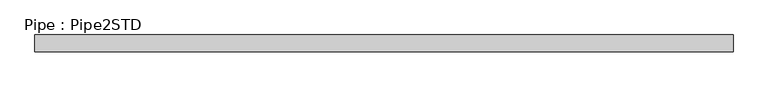
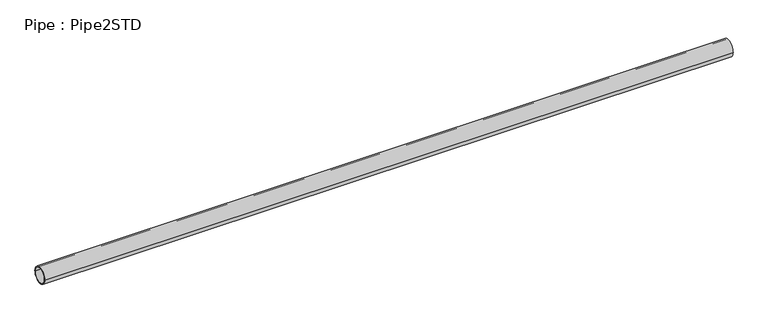
"""IFC4 building model written with IfcOpenShell, lengths in millimetres: member geometry, Pipe : Pipe2STD."""

import ifcopenshell
import ifcopenshell.guid

model = None  # the IFC model being written
_history = None  # IfcOwnerHistory: only IFC2X3 demands one
_inside = {}  # id of a spatial element -> (the spatial element, [elements in it])
_under = {}  # id of a project, library or spatial element -> (it, [spatial elements below it])
_declared = {}  # id of a project -> (the project, [libraries it declares])
_typed = {}  # id of a type object -> (the type object, [elements of that type])
_made_of = {}  # id of a material, layer set ... -> (it, [elements and type objects made of it])


def new_model(schema):
    """Start an empty IFC model of exactly this schema.

    Asked for "IFC4X3", IfcOpenShell would pick the latest addendum, in which some entities
    have other attributes; the version numbers below select the first issue.
    IFC2X3 requires an IfcOwnerHistory on every rooted entity: one is made here for all.
    """
    global model, _history
    if schema == "IFC4X3":
        model = ifcopenshell.file(schema_version=(4, 3, 0, 0))
    else:
        model = ifcopenshell.file(schema=schema)
    _inside.clear()
    _under.clear()
    _declared.clear()
    _typed.clear()
    _made_of.clear()
    _history = None
    if model.schema == "IFC2X3":
        org = make("IfcOrganization", Name="unknown")
        user = make(
            "IfcPersonAndOrganization",
            ThePerson=make("IfcPerson", FamilyName="unknown"),
            TheOrganization=org,
        )
        app = make(
            "IfcApplication",
            ApplicationDeveloper=org,
            Version="unknown",
            ApplicationFullName="unknown",
            ApplicationIdentifier="unknown",
        )
        _history = make(
            "IfcOwnerHistory",
            OwningUser=user,
            OwningApplication=app,
            ChangeAction="ADDED",
            CreationDate=0,
        )
    return model


def make(cls, **values):
    """One entity of the class cls with the attributes given. An attribute that is None is left unset."""
    return model.create_entity(
        cls, **{name: value for name, value in values.items() if value is not None}
    )


def rooted(cls, **values):
    """An entity with a GlobalId (a new one), such as an element, a storey or a relation."""
    return make(cls, GlobalId=ifcopenshell.guid.new(), OwnerHistory=_history, **values)


def si_unit(unit_type, name, prefix=None):
    """IfcSIUnit, for example si_unit("LENGTHUNIT", "METRE", prefix="MILLI")."""
    return make("IfcSIUnit", UnitType=unit_type, Prefix=prefix, Name=name)


def assignment(units):
    """IfcUnitAssignment: the units of a project."""
    return None if units is None else make("IfcUnitAssignment", Units=units)


def point(xyz):
    """IfcCartesianPoint."""
    return None if xyz is None else make("IfcCartesianPoint", Coordinates=xyz)


def direction(xyz):
    """IfcDirection."""
    return None if xyz is None else make("IfcDirection", DirectionRatios=xyz)


def frame(location, z_axis=None, x_axis=None):
    """IfcAxis2Placement3D, a coordinate frame: its origin and axes. An axis left out is left unset."""
    return make(
        "IfcAxis2Placement3D",
        Location=point(location),
        Axis=direction(z_axis),
        RefDirection=direction(x_axis),
    )


def frame_2d(location, x_axis=None):
    """IfcAxis2Placement2D, a coordinate frame in the plane: its origin and x axis."""
    return make(
        "IfcAxis2Placement2D", Location=point(location), RefDirection=direction(x_axis)
    )


def origin():
    """The frame at (0, 0, 0) with its axes left unset."""
    return frame((0.0, 0.0, 0.0))


def origin_2d():
    """The frame at (0, 0) in the plane with its x axis left unset."""
    return frame_2d((0.0, 0.0))


def place(relative_to, where):
    """IfcLocalPlacement: puts the frame where relative to a parent placement (None: the world)."""
    return make(
        "IfcLocalPlacement", PlacementRelTo=relative_to, RelativePlacement=where
    )


def context(
    kind, dimensions, precision=None, world=None, true_north=None, identifier=None
):
    """IfcGeometricRepresentationContext, for example the 3D "Model" context."""
    return make(
        "IfcGeometricRepresentationContext",
        ContextIdentifier=identifier,
        ContextType=kind,
        CoordinateSpaceDimension=dimensions,
        Precision=precision,
        WorldCoordinateSystem=world,
        TrueNorth=true_north,
    )


def project(units=None, contexts=None):
    """IfcProject with its units and contexts."""
    return rooted(
        "IfcProject",
        Name="project",
        RepresentationContexts=contexts,
        UnitsInContext=assignment(units),
    )


def spatial(cls, under=None, at=None, **own):
    """A site, building, storey or space (cls), placed at a placement, below another one or the project."""
    s = rooted(cls, ObjectPlacement=at, **own)
    if under is not None:
        _under.setdefault(under.id(), (under, []))[1].append(s)
    return s


def circle_curve(where, radius):
    """IfcCircle in the frame where."""
    return make("IfcCircle", Position=where, Radius=radius)


def trimmed(basis, trim1, trim2, sense, master):
    """IfcTrimmedCurve: the piece of a basis curve between two trims."""
    return make(
        "IfcTrimmedCurve",
        BasisCurve=basis,
        Trim1=trim1,
        Trim2=trim2,
        SenseAgreement=sense,
        MasterRepresentation=master,
    )


def segment(curve, same_sense, transition):
    """IfcCompositeCurveSegment."""
    return make(
        "IfcCompositeCurveSegment",
        Transition=transition,
        SameSense=same_sense,
        ParentCurve=curve,
    )


def composite_curve(segments, self_intersect=None):
    """IfcCompositeCurve: segments joined end to end."""
    return make("IfcCompositeCurve", Segments=segments, SelfIntersect=self_intersect)


def outline(outer, holes=None, kind="AREA"):
    """IfcArbitraryClosedProfileDef: a profile drawn as a closed curve; with holes, ...WithVoids."""
    if holes is None:
        return make("IfcArbitraryClosedProfileDef", ProfileType=kind, OuterCurve=outer)
    return make(
        "IfcArbitraryProfileDefWithVoids",
        ProfileType=kind,
        OuterCurve=outer,
        InnerCurves=holes,
    )


def extrude(swept, where, along, depth):
    """IfcExtrudedAreaSolid: the profile swept, set in the frame where, extruded along a direction by depth."""
    return make(
        "IfcExtrudedAreaSolid",
        SweptArea=swept,
        Position=where,
        ExtrudedDirection=direction(along),
        Depth=depth,
    )


def shape(context_of_items, identifier, shape_type, items):
    """IfcShapeRepresentation: the items that make up one representation, for example the "Body"."""
    return make(
        "IfcShapeRepresentation",
        ContextOfItems=context_of_items,
        RepresentationIdentifier=identifier,
        RepresentationType=shape_type,
        Items=items,
    )


def source(mapping_origin, context_of_items, identifier, shape_type, items):
    """IfcRepresentationMap: a shape defined once, which mapped items show again and again."""
    return make(
        "IfcRepresentationMap",
        MappingOrigin=mapping_origin,
        MappedRepresentation=shape(context_of_items, identifier, shape_type, items),
    )


def transform(
    local_origin,
    x_axis=None,
    y_axis=None,
    z_axis=None,
    scale=None,
    scale2=None,
    scale3=None,
    uniform=True,
):
    """IfcCartesianTransformationOperator3D, or its non-uniform kind. x_axis, y_axis, z_axis: its Axis1, 2, 3."""
    if uniform:
        return make(
            "IfcCartesianTransformationOperator3D",
            Axis1=direction(x_axis),
            Axis2=direction(y_axis),
            LocalOrigin=point(local_origin),
            Scale=scale,
            Axis3=direction(z_axis),
        )
    return make(
        "IfcCartesianTransformationOperator3DnonUniform",
        Axis1=direction(x_axis),
        Axis2=direction(y_axis),
        LocalOrigin=point(local_origin),
        Scale=scale,
        Axis3=direction(z_axis),
        Scale2=scale2,
        Scale3=scale3,
    )


def mapped(mapping_source, mapping_target):
    """IfcMappedItem: shows the shape of a source again, moved by a transform."""
    return make(
        "IfcMappedItem", MappingSource=mapping_source, MappingTarget=mapping_target
    )


def made_of(thing, what):
    """Note that an element or type object is made of a material, layer set ...; save() writes the relation."""
    if what is not None:
        _made_of.setdefault(what.id(), (what, []))[1].append(thing)
    return thing


def element(
    cls,
    number,
    at=None,
    inside=None,
    cuts=None,
    type_object=None,
    material=None,
    context=None,
    identifier="Body",
    shape_type=None,
    held_by="IfcProductDefinitionShape",
    body=None,
    shapes=None,
    **own,
):
    """One element of the class cls, such as IfcWall. Its Tag is "e" and its number.

    at: its placement. inside: the storey or other place that contains it. cuts: it is an
    opening in that element (IfcRelVoidsElement). A single representation is given by context,
    identifier, shape_type and body (its items); several are given by shapes. held_by: the class
    of the entity that holds the representations. save() writes the other relations.
    """
    e = rooted(cls, Tag="e%d" % number, ObjectPlacement=at, **own)
    if body is not None:
        shapes = [shape(context, identifier, shape_type, body)]
    if shapes is not None:
        e.Representation = make(held_by, Representations=shapes)
    if inside is not None:
        _inside.setdefault(inside.id(), (inside, []))[1].append(e)
    if cuts is not None:
        rooted(
            "IfcRelVoidsElement", RelatingBuildingElement=cuts, RelatedOpeningElement=e
        )
    if type_object is not None:
        _typed.setdefault(type_object.id(), (type_object, []))[1].append(e)
    return made_of(e, material)


def aggregate(whole, parts):
    """IfcRelAggregates: a whole, such as a stair, and the parts it consists of."""
    return rooted("IfcRelAggregates", RelatingObject=whole, RelatedObjects=parts)


def save(model, path):
    """Write the relations noted so far, then the file.

    IfcRelAggregates (storeys below a building ...), IfcRelContainedInSpatialStructure (elements
    in a storey), IfcRelDefinesByType, IfcRelAssociatesMaterial and IfcRelDeclares: one each for
    every whole, place, type object, material and project.
    """
    for whole, parts in _under.values():
        aggregate(whole, parts)
    for where, things in _inside.values():
        rooted(
            "IfcRelContainedInSpatialStructure",
            RelatedElements=things,
            RelatingStructure=where,
        )
    for kind, things in _typed.values():
        rooted("IfcRelDefinesByType", RelatedObjects=things, RelatingType=kind)
    for what, things in _made_of.values():
        rooted("IfcRelAssociatesMaterial", RelatedObjects=things, RelatingMaterial=what)
    for by, libraries in _declared.values():
        rooted("IfcRelDeclares", RelatingContext=by, RelatedDefinitions=libraries)
    model.write(path)


def pipe_pipe2std_da692d6d(model_context):
    return source(origin(), model_context, "Body", "SweptSolid", [
        extrude(outline(composite_curve([segment(trimmed(circle_curve(origin_2d(), 30.1625), [point((-30.1625, 0.0))], [point((30.1625, 0.0))], False, "CARTESIAN"), True, "CONTINUOUS"), segment(trimmed(circle_curve(origin_2d(), 30.1625), [point((30.1625, 0.0))], [point((-30.1625, 0.0))], False, "CARTESIAN"), True, "CONTINUOUS")], self_intersect=False), holes=[composite_curve([segment(trimmed(circle_curve(origin_2d(), 26.2509), [point((26.2509, 0.0))], [point((-26.2509, 0.0))], True, "CARTESIAN"), True, "CONTINUOUS"), segment(trimmed(circle_curve(origin_2d(), 26.2509), [point((-26.2509, 0.0))], [point((26.2509, 0.0))], True, "CARTESIAN"), True, "CONTINUOUS")], self_intersect=False)]), frame((-1234.6127486, 0.0, 0.0), z_axis=(1.0, 0.0, 0.0), x_axis=(0.0, 1.0, 0.0)), (0.0, 0.0, 1.0), 2469.2254972),
    ])


if __name__ == "__main__":
    model = new_model("IFC4")
    model_context = context("Model", 3, world=origin())
    ifc_project = project(units=[si_unit("LENGTHUNIT", "METRE", prefix="MILLI")], contexts=[model_context])
    site = spatial("IfcSite", under=ifc_project)
    building = spatial("IfcBuilding", under=site)
    placement = place(None, origin())
    pipe_pipe2std_shape = pipe_pipe2std_da692d6d(model_context)
    element("IfcMember", 1, ObjectType="Pipe : Pipe2STD", at=placement, inside=building, context=model_context, shape_type="MappedRepresentation", body=[
        mapped(pipe_pipe2std_shape, transform((0.0, 0.0, 0.0), x_axis=(1.0, 0.0, 0.0), y_axis=(0.0, 1.0, 0.0), z_axis=(0.0, 0.0, 1.0))),
    ])
    save(model, "model.ifc")
